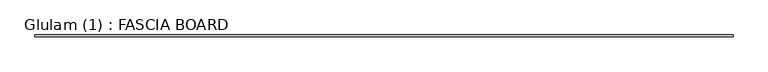
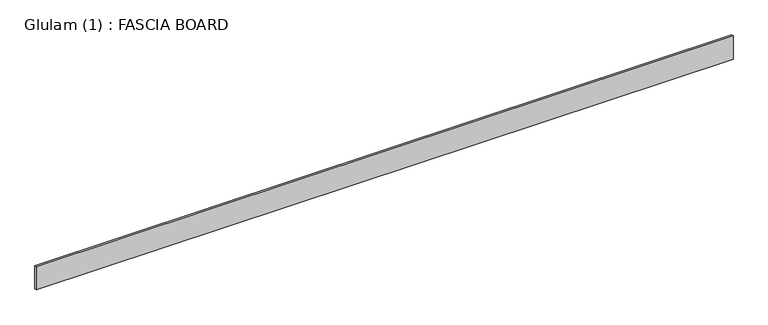
"""IFC4 building model written with IfcOpenShell, lengths in millimetres: beam geometry, Glulam (1) : FASCIA BOARD."""

import ifcopenshell
import ifcopenshell.guid

model = None  # the IFC model being written
_history = None  # IfcOwnerHistory: only IFC2X3 demands one
_inside = {}  # id of a spatial element -> (the spatial element, [elements in it])
_under = {}  # id of a project, library or spatial element -> (it, [spatial elements below it])
_declared = {}  # id of a project -> (the project, [libraries it declares])
_typed = {}  # id of a type object -> (the type object, [elements of that type])
_made_of = {}  # id of a material, layer set ... -> (it, [elements and type objects made of it])


def new_model(schema):
    """Start an empty IFC model of exactly this schema.

    Asked for "IFC4X3", IfcOpenShell would pick the latest addendum, in which some entities
    have other attributes; the version numbers below select the first issue.
    IFC2X3 requires an IfcOwnerHistory on every rooted entity: one is made here for all.
    """
    global model, _history
    if schema == "IFC4X3":
        model = ifcopenshell.file(schema_version=(4, 3, 0, 0))
    else:
        model = ifcopenshell.file(schema=schema)
    _inside.clear()
    _under.clear()
    _declared.clear()
    _typed.clear()
    _made_of.clear()
    _history = None
    if model.schema == "IFC2X3":
        org = make("IfcOrganization", Name="unknown")
        user = make(
            "IfcPersonAndOrganization",
            ThePerson=make("IfcPerson", FamilyName="unknown"),
            TheOrganization=org,
        )
        app = make(
            "IfcApplication",
            ApplicationDeveloper=org,
            Version="unknown",
            ApplicationFullName="unknown",
            ApplicationIdentifier="unknown",
        )
        _history = make(
            "IfcOwnerHistory",
            OwningUser=user,
            OwningApplication=app,
            ChangeAction="ADDED",
            CreationDate=0,
        )
    return model


def make(cls, **values):
    """One entity of the class cls with the attributes given. An attribute that is None is left unset."""
    return model.create_entity(
        cls, **{name: value for name, value in values.items() if value is not None}
    )


def rooted(cls, **values):
    """An entity with a GlobalId (a new one), such as an element, a storey or a relation."""
    return make(cls, GlobalId=ifcopenshell.guid.new(), OwnerHistory=_history, **values)


def si_unit(unit_type, name, prefix=None):
    """IfcSIUnit, for example si_unit("LENGTHUNIT", "METRE", prefix="MILLI")."""
    return make("IfcSIUnit", UnitType=unit_type, Prefix=prefix, Name=name)


def assignment(units):
    """IfcUnitAssignment: the units of a project."""
    return None if units is None else make("IfcUnitAssignment", Units=units)


def point(xyz):
    """IfcCartesianPoint."""
    return None if xyz is None else make("IfcCartesianPoint", Coordinates=xyz)


def direction(xyz):
    """IfcDirection."""
    return None if xyz is None else make("IfcDirection", DirectionRatios=xyz)


def frame(location, z_axis=None, x_axis=None):
    """IfcAxis2Placement3D, a coordinate frame: its origin and axes. An axis left out is left unset."""
    return make(
        "IfcAxis2Placement3D",
        Location=point(location),
        Axis=direction(z_axis),
        RefDirection=direction(x_axis),
    )


def origin():
    """The frame at (0, 0, 0) with its axes left unset."""
    return frame((0.0, 0.0, 0.0))


def place(relative_to, where):
    """IfcLocalPlacement: puts the frame where relative to a parent placement (None: the world)."""
    return make(
        "IfcLocalPlacement", PlacementRelTo=relative_to, RelativePlacement=where
    )


def context(
    kind, dimensions, precision=None, world=None, true_north=None, identifier=None
):
    """IfcGeometricRepresentationContext, for example the 3D "Model" context."""
    return make(
        "IfcGeometricRepresentationContext",
        ContextIdentifier=identifier,
        ContextType=kind,
        CoordinateSpaceDimension=dimensions,
        Precision=precision,
        WorldCoordinateSystem=world,
        TrueNorth=true_north,
    )


def project(units=None, contexts=None):
    """IfcProject with its units and contexts."""
    return rooted(
        "IfcProject",
        Name="project",
        RepresentationContexts=contexts,
        UnitsInContext=assignment(units),
    )


def spatial(cls, under=None, at=None, **own):
    """A site, building, storey or space (cls), placed at a placement, below another one or the project."""
    s = rooted(cls, ObjectPlacement=at, **own)
    if under is not None:
        _under.setdefault(under.id(), (under, []))[1].append(s)
    return s


def polyline(points):
    """IfcPolyline through the points."""
    return make("IfcPolyline", Points=[point(p) for p in points])


def outline(outer, holes=None, kind="AREA"):
    """IfcArbitraryClosedProfileDef: a profile drawn as a closed curve; with holes, ...WithVoids."""
    if holes is None:
        return make("IfcArbitraryClosedProfileDef", ProfileType=kind, OuterCurve=outer)
    return make(
        "IfcArbitraryProfileDefWithVoids",
        ProfileType=kind,
        OuterCurve=outer,
        InnerCurves=holes,
    )


def extrude(swept, where, along, depth):
    """IfcExtrudedAreaSolid: the profile swept, set in the frame where, extruded along a direction by depth."""
    return make(
        "IfcExtrudedAreaSolid",
        SweptArea=swept,
        Position=where,
        ExtrudedDirection=direction(along),
        Depth=depth,
    )


def shape(context_of_items, identifier, shape_type, items):
    """IfcShapeRepresentation: the items that make up one representation, for example the "Body"."""
    return make(
        "IfcShapeRepresentation",
        ContextOfItems=context_of_items,
        RepresentationIdentifier=identifier,
        RepresentationType=shape_type,
        Items=items,
    )


def source(mapping_origin, context_of_items, identifier, shape_type, items):
    """IfcRepresentationMap: a shape defined once, which mapped items show again and again."""
    return make(
        "IfcRepresentationMap",
        MappingOrigin=mapping_origin,
        MappedRepresentation=shape(context_of_items, identifier, shape_type, items),
    )


def transform(
    local_origin,
    x_axis=None,
    y_axis=None,
    z_axis=None,
    scale=None,
    scale2=None,
    scale3=None,
    uniform=True,
):
    """IfcCartesianTransformationOperator3D, or its non-uniform kind. x_axis, y_axis, z_axis: its Axis1, 2, 3."""
    if uniform:
        return make(
            "IfcCartesianTransformationOperator3D",
            Axis1=direction(x_axis),
            Axis2=direction(y_axis),
            LocalOrigin=point(local_origin),
            Scale=scale,
            Axis3=direction(z_axis),
        )
    return make(
        "IfcCartesianTransformationOperator3DnonUniform",
        Axis1=direction(x_axis),
        Axis2=direction(y_axis),
        LocalOrigin=point(local_origin),
        Scale=scale,
        Axis3=direction(z_axis),
        Scale2=scale2,
        Scale3=scale3,
    )


def mapped(mapping_source, mapping_target):
    """IfcMappedItem: shows the shape of a source again, moved by a transform."""
    return make(
        "IfcMappedItem", MappingSource=mapping_source, MappingTarget=mapping_target
    )


def made_of(thing, what):
    """Note that an element or type object is made of a material, layer set ...; save() writes the relation."""
    if what is not None:
        _made_of.setdefault(what.id(), (what, []))[1].append(thing)
    return thing


def element(
    cls,
    number,
    at=None,
    inside=None,
    cuts=None,
    type_object=None,
    material=None,
    context=None,
    identifier="Body",
    shape_type=None,
    held_by="IfcProductDefinitionShape",
    body=None,
    shapes=None,
    **own,
):
    """One element of the class cls, such as IfcWall. Its Tag is "e" and its number.

    at: its placement. inside: the storey or other place that contains it. cuts: it is an
    opening in that element (IfcRelVoidsElement). A single representation is given by context,
    identifier, shape_type and body (its items); several are given by shapes. held_by: the class
    of the entity that holds the representations. save() writes the other relations.
    """
    e = rooted(cls, Tag="e%d" % number, ObjectPlacement=at, **own)
    if body is not None:
        shapes = [shape(context, identifier, shape_type, body)]
    if shapes is not None:
        e.Representation = make(held_by, Representations=shapes)
    if inside is not None:
        _inside.setdefault(inside.id(), (inside, []))[1].append(e)
    if cuts is not None:
        rooted(
            "IfcRelVoidsElement", RelatingBuildingElement=cuts, RelatedOpeningElement=e
        )
    if type_object is not None:
        _typed.setdefault(type_object.id(), (type_object, []))[1].append(e)
    return made_of(e, material)


def aggregate(whole, parts):
    """IfcRelAggregates: a whole, such as a stair, and the parts it consists of."""
    return rooted("IfcRelAggregates", RelatingObject=whole, RelatedObjects=parts)


def save(model, path):
    """Write the relations noted so far, then the file.

    IfcRelAggregates (storeys below a building ...), IfcRelContainedInSpatialStructure (elements
    in a storey), IfcRelDefinesByType, IfcRelAssociatesMaterial and IfcRelDeclares: one each for
    every whole, place, type object, material and project.
    """
    for whole, parts in _under.values():
        aggregate(whole, parts)
    for where, things in _inside.values():
        rooted(
            "IfcRelContainedInSpatialStructure",
            RelatedElements=things,
            RelatingStructure=where,
        )
    for kind, things in _typed.values():
        rooted("IfcRelDefinesByType", RelatedObjects=things, RelatingType=kind)
    for what, things in _made_of.values():
        rooted("IfcRelAssociatesMaterial", RelatedObjects=things, RelatingMaterial=what)
    for by, libraries in _declared.values():
        rooted("IfcRelDeclares", RelatingContext=by, RelatedDefinitions=libraries)
    model.write(path)


def glulam_1_fascia_board_b5a3b885(model_context):
    return source(origin(), model_context, "Body", "SweptSolid", [
        extrude(outline(polyline([(5841.5, 12.5), (5841.5, -12.5), (-3352.5, -12.5), (-3352.5, 12.5), (5841.5, 12.5)])), frame((0.0, 0.0, -160.8), z_axis=(0.0, 0.0, 1.0), x_axis=(1.0, 0.0, 0.0)), (0.0, 0.0, 1.0), 321.6),
    ])


if __name__ == "__main__":
    model = new_model("IFC4")
    model_context = context("Model", 3, world=origin())
    ifc_project = project(units=[si_unit("LENGTHUNIT", "METRE", prefix="MILLI")], contexts=[model_context])
    site = spatial("IfcSite", under=ifc_project)
    building = spatial("IfcBuilding", under=site)
    placement = place(None, origin())
    glulam_1_fascia_board_shape = glulam_1_fascia_board_b5a3b885(model_context)
    element("IfcBeam", 1, ObjectType="Glulam (1) : FASCIA BOARD", at=placement, inside=building, context=model_context, shape_type="MappedRepresentation", body=[
        mapped(glulam_1_fascia_board_shape, transform((0.0, 0.0, 0.0), x_axis=(1.0, 0.0, 0.0), y_axis=(0.0, 1.0, 0.0), z_axis=(0.0, 0.0, 1.0))),
    ])
    save(model, "model.ifc")
